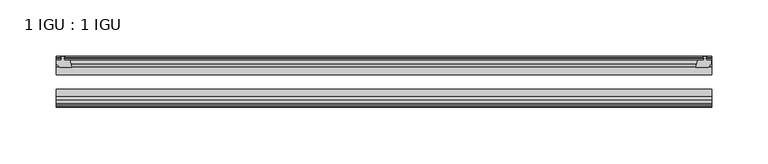
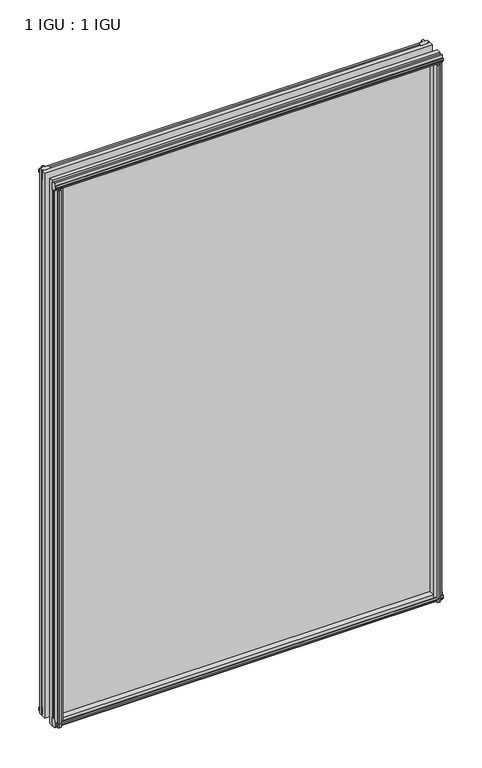
"""IFC4 building model written with IfcOpenShell, lengths in millimetres: plate geometry, 1 IGU : 1 IGU."""

import ifcopenshell
import ifcopenshell.guid

model = None  # the IFC model being written
_history = None  # IfcOwnerHistory: only IFC2X3 demands one
_inside = {}  # id of a spatial element -> (the spatial element, [elements in it])
_under = {}  # id of a project, library or spatial element -> (it, [spatial elements below it])
_declared = {}  # id of a project -> (the project, [libraries it declares])
_typed = {}  # id of a type object -> (the type object, [elements of that type])
_made_of = {}  # id of a material, layer set ... -> (it, [elements and type objects made of it])


def new_model(schema):
    """Start an empty IFC model of exactly this schema.

    Asked for "IFC4X3", IfcOpenShell would pick the latest addendum, in which some entities
    have other attributes; the version numbers below select the first issue.
    IFC2X3 requires an IfcOwnerHistory on every rooted entity: one is made here for all.
    """
    global model, _history
    if schema == "IFC4X3":
        model = ifcopenshell.file(schema_version=(4, 3, 0, 0))
    else:
        model = ifcopenshell.file(schema=schema)
    _inside.clear()
    _under.clear()
    _declared.clear()
    _typed.clear()
    _made_of.clear()
    _history = None
    if model.schema == "IFC2X3":
        org = make("IfcOrganization", Name="unknown")
        user = make(
            "IfcPersonAndOrganization",
            ThePerson=make("IfcPerson", FamilyName="unknown"),
            TheOrganization=org,
        )
        app = make(
            "IfcApplication",
            ApplicationDeveloper=org,
            Version="unknown",
            ApplicationFullName="unknown",
            ApplicationIdentifier="unknown",
        )
        _history = make(
            "IfcOwnerHistory",
            OwningUser=user,
            OwningApplication=app,
            ChangeAction="ADDED",
            CreationDate=0,
        )
    return model


def make(cls, **values):
    """One entity of the class cls with the attributes given. An attribute that is None is left unset."""
    return model.create_entity(
        cls, **{name: value for name, value in values.items() if value is not None}
    )


def rooted(cls, **values):
    """An entity with a GlobalId (a new one), such as an element, a storey or a relation."""
    return make(cls, GlobalId=ifcopenshell.guid.new(), OwnerHistory=_history, **values)


def si_unit(unit_type, name, prefix=None):
    """IfcSIUnit, for example si_unit("LENGTHUNIT", "METRE", prefix="MILLI")."""
    return make("IfcSIUnit", UnitType=unit_type, Prefix=prefix, Name=name)


def assignment(units):
    """IfcUnitAssignment: the units of a project."""
    return None if units is None else make("IfcUnitAssignment", Units=units)


def point(xyz):
    """IfcCartesianPoint."""
    return None if xyz is None else make("IfcCartesianPoint", Coordinates=xyz)


def direction(xyz):
    """IfcDirection."""
    return None if xyz is None else make("IfcDirection", DirectionRatios=xyz)


def frame(location, z_axis=None, x_axis=None):
    """IfcAxis2Placement3D, a coordinate frame: its origin and axes. An axis left out is left unset."""
    return make(
        "IfcAxis2Placement3D",
        Location=point(location),
        Axis=direction(z_axis),
        RefDirection=direction(x_axis),
    )


def origin():
    """The frame at (0, 0, 0) with its axes left unset."""
    return frame((0.0, 0.0, 0.0))


def place(relative_to, where):
    """IfcLocalPlacement: puts the frame where relative to a parent placement (None: the world)."""
    return make(
        "IfcLocalPlacement", PlacementRelTo=relative_to, RelativePlacement=where
    )


def context(
    kind, dimensions, precision=None, world=None, true_north=None, identifier=None
):
    """IfcGeometricRepresentationContext, for example the 3D "Model" context."""
    return make(
        "IfcGeometricRepresentationContext",
        ContextIdentifier=identifier,
        ContextType=kind,
        CoordinateSpaceDimension=dimensions,
        Precision=precision,
        WorldCoordinateSystem=world,
        TrueNorth=true_north,
    )


def project(units=None, contexts=None):
    """IfcProject with its units and contexts."""
    return rooted(
        "IfcProject",
        Name="project",
        RepresentationContexts=contexts,
        UnitsInContext=assignment(units),
    )


def spatial(cls, under=None, at=None, **own):
    """A site, building, storey or space (cls), placed at a placement, below another one or the project."""
    s = rooted(cls, ObjectPlacement=at, **own)
    if under is not None:
        _under.setdefault(under.id(), (under, []))[1].append(s)
    return s


def polyline(points):
    """IfcPolyline through the points."""
    return make("IfcPolyline", Points=[point(p) for p in points])


def outline(outer, holes=None, kind="AREA"):
    """IfcArbitraryClosedProfileDef: a profile drawn as a closed curve; with holes, ...WithVoids."""
    if holes is None:
        return make("IfcArbitraryClosedProfileDef", ProfileType=kind, OuterCurve=outer)
    return make(
        "IfcArbitraryProfileDefWithVoids",
        ProfileType=kind,
        OuterCurve=outer,
        InnerCurves=holes,
    )


def extrude(swept, where, along, depth):
    """IfcExtrudedAreaSolid: the profile swept, set in the frame where, extruded along a direction by depth."""
    return make(
        "IfcExtrudedAreaSolid",
        SweptArea=swept,
        Position=where,
        ExtrudedDirection=direction(along),
        Depth=depth,
    )


def shape(context_of_items, identifier, shape_type, items):
    """IfcShapeRepresentation: the items that make up one representation, for example the "Body"."""
    return make(
        "IfcShapeRepresentation",
        ContextOfItems=context_of_items,
        RepresentationIdentifier=identifier,
        RepresentationType=shape_type,
        Items=items,
    )


def source(mapping_origin, context_of_items, identifier, shape_type, items):
    """IfcRepresentationMap: a shape defined once, which mapped items show again and again."""
    return make(
        "IfcRepresentationMap",
        MappingOrigin=mapping_origin,
        MappedRepresentation=shape(context_of_items, identifier, shape_type, items),
    )


def transform(
    local_origin,
    x_axis=None,
    y_axis=None,
    z_axis=None,
    scale=None,
    scale2=None,
    scale3=None,
    uniform=True,
):
    """IfcCartesianTransformationOperator3D, or its non-uniform kind. x_axis, y_axis, z_axis: its Axis1, 2, 3."""
    if uniform:
        return make(
            "IfcCartesianTransformationOperator3D",
            Axis1=direction(x_axis),
            Axis2=direction(y_axis),
            LocalOrigin=point(local_origin),
            Scale=scale,
            Axis3=direction(z_axis),
        )
    return make(
        "IfcCartesianTransformationOperator3DnonUniform",
        Axis1=direction(x_axis),
        Axis2=direction(y_axis),
        LocalOrigin=point(local_origin),
        Scale=scale,
        Axis3=direction(z_axis),
        Scale2=scale2,
        Scale3=scale3,
    )


def mapped(mapping_source, mapping_target):
    """IfcMappedItem: shows the shape of a source again, moved by a transform."""
    return make(
        "IfcMappedItem", MappingSource=mapping_source, MappingTarget=mapping_target
    )


def made_of(thing, what):
    """Note that an element or type object is made of a material, layer set ...; save() writes the relation."""
    if what is not None:
        _made_of.setdefault(what.id(), (what, []))[1].append(thing)
    return thing


def element(
    cls,
    number,
    at=None,
    inside=None,
    cuts=None,
    type_object=None,
    material=None,
    context=None,
    identifier="Body",
    shape_type=None,
    held_by="IfcProductDefinitionShape",
    body=None,
    shapes=None,
    **own,
):
    """One element of the class cls, such as IfcWall. Its Tag is "e" and its number.

    at: its placement. inside: the storey or other place that contains it. cuts: it is an
    opening in that element (IfcRelVoidsElement). A single representation is given by context,
    identifier, shape_type and body (its items); several are given by shapes. held_by: the class
    of the entity that holds the representations. save() writes the other relations.
    """
    e = rooted(cls, Tag="e%d" % number, ObjectPlacement=at, **own)
    if body is not None:
        shapes = [shape(context, identifier, shape_type, body)]
    if shapes is not None:
        e.Representation = make(held_by, Representations=shapes)
    if inside is not None:
        _inside.setdefault(inside.id(), (inside, []))[1].append(e)
    if cuts is not None:
        rooted(
            "IfcRelVoidsElement", RelatingBuildingElement=cuts, RelatedOpeningElement=e
        )
    if type_object is not None:
        _typed.setdefault(type_object.id(), (type_object, []))[1].append(e)
    return made_of(e, material)


def aggregate(whole, parts):
    """IfcRelAggregates: a whole, such as a stair, and the parts it consists of."""
    return rooted("IfcRelAggregates", RelatingObject=whole, RelatedObjects=parts)


def save(model, path):
    """Write the relations noted so far, then the file.

    IfcRelAggregates (storeys below a building ...), IfcRelContainedInSpatialStructure (elements
    in a storey), IfcRelDefinesByType, IfcRelAssociatesMaterial and IfcRelDeclares: one each for
    every whole, place, type object, material and project.
    """
    for whole, parts in _under.values():
        aggregate(whole, parts)
    for where, things in _inside.values():
        rooted(
            "IfcRelContainedInSpatialStructure",
            RelatedElements=things,
            RelatingStructure=where,
        )
    for kind, things in _typed.values():
        rooted("IfcRelDefinesByType", RelatedObjects=things, RelatingType=kind)
    for what, things in _made_of.values():
        rooted("IfcRelAssociatesMaterial", RelatedObjects=things, RelatingMaterial=what)
    for by, libraries in _declared.values():
        rooted("IfcRelDeclares", RelatingContext=by, RelatedDefinitions=libraries)
    model.write(path)


def plate_1_igu_1_igu_1bd98ddc(model_context):
    return source(origin(), model_context, "Body", "SweptSolid", [
        extrude(outline(polyline([(293.6181709, -10.4746158), (295.7957, -9.7670938), (297.9732291, -10.4746158), (297.9732291, -11.27583), (296.5577, -10.8158968), (296.9387, -13.1960938), (301.3837, -13.1960938), (301.3837, -16.1424938), (298.5493578, -19.5460938), (287.7279819, -19.5460938), (289.4457, -13.1960938), (294.6527, -13.1960938), (295.0337, -10.8158968), (293.6181709, -11.27583), (293.6181709, -10.4746158)])), frame((0.0, 0.0, -12.4587), z_axis=(0.0, 0.0, 1.0), x_axis=(1.0, 0.0, 0.0)), (0.0, 0.0, 1.0), 863.1174001),
        extrude(outline(polyline([(-273.2730437, -9.7670937), (-271.0955147, -10.4746158), (-271.0955147, -11.27583), (-272.5110437, -10.8158968), (-272.1300437, -13.1960937), (-266.9230437, -13.1960937), (-265.2053257, -19.5460937), (-276.0267016, -19.5460937), (-278.8610437, -16.1424937), (-278.8610437, -13.1960937), (-274.4160437, -13.1960937), (-274.0350437, -10.8158968), (-275.4505728, -11.27583), (-275.4505728, -10.4746158), (-273.2730437, -9.7670937)])), frame((0.0, 0.0, -12.4587), z_axis=(0.0, 0.0, 1.0), x_axis=(1.0, 0.0, 0.0)), (0.0, 0.0, 1.0), 863.1174001),
        extrude(outline(polyline([(287.2105839, -44.9460938), (298.0319598, -44.9460938), (300.866302, -48.3496938), (300.866302, -51.2960938), (296.421302, -51.2960938), (296.040302, -53.6762907), (297.455831, -53.2163575), (297.455831, -54.0175717), (295.278302, -54.7250938), (293.1007729, -54.0175717), (293.1007729, -53.2163575), (294.516302, -53.6762907), (294.135302, -51.2960938), (288.928302, -51.2960938), (287.2105839, -44.9460938)])), frame((0.0, 0.0, -12.4587), z_axis=(0.0, 0.0, 1.0), x_axis=(1.0, 0.0, 0.0)), (0.0, 0.0, 1.0), 850.4174001),
        extrude(outline(polyline([(-264.6846257, -44.9460937), (-266.4023437, -51.2960937), (-271.6093437, -51.2960937), (-271.9903437, -53.6762907), (-270.5748147, -53.2163575), (-270.5748147, -54.0175717), (-272.7523437, -54.7250937), (-274.9298728, -54.0175717), (-274.9298728, -53.2163575), (-273.5143437, -53.6762907), (-273.8953437, -51.2960937), (-278.3403437, -51.2960937), (-278.3403437, -48.3496937), (-275.5060016, -44.9460937), (-264.6846257, -44.9460937)])), frame((0.0, 0.0, -12.4587), z_axis=(0.0, 0.0, 1.0), x_axis=(1.0, 0.0, 0.0)), (0.0, 0.0, 1.0), 850.4174001),
        extrude(outline(polyline([(-10.4746158, -4.6931709), (-9.7670937, -6.8707), (-10.4746158, -9.0482291), (-11.27583, -9.0482291), (-10.8158968, -7.6327), (-13.1960937, -8.0137), (-13.1960937, -12.4587), (-16.1424937, -12.4587), (-19.5460937, -9.6243578), (-19.5460937, 1.1970181), (-13.1960937, -0.5207), (-13.1960937, -5.7277), (-10.8158968, -6.1087), (-11.27583, -4.6931709), (-10.4746158, -4.6931709)])), frame((-278.9039062, 0.0, 0.0), z_axis=(1.0, 0.0, 0.0), x_axis=(0.0, 1.0, 0.0)), (0.0, 0.0, 1.0), 580.5289062),
        extrude(outline(polyline([(-44.9460937, 1.7177181), (-44.9460937, -9.1036578), (-48.3496937, -11.938), (-51.2960937, -11.938), (-51.2960937, -7.493), (-53.6762907, -7.112), (-53.2163575, -8.5275291), (-54.0175717, -8.5275291), (-54.7250937, -6.35), (-54.0175717, -4.1724709), (-53.2163575, -4.1724709), (-53.6762907, -5.588), (-51.2960937, -5.207), (-51.2960937, 0.0), (-44.9460937, 1.7177181)])), frame((-278.9039062, 0.0, 0.0), z_axis=(1.0, 0.0, 0.0), x_axis=(0.0, 1.0, 0.0)), (0.0, 0.0, 1.0), 580.5289062),
        extrude(outline(polyline([(-10.8158968, 845.8327001), (-11.27583, 847.2482291), (-10.4746158, 847.2482291), (-9.7670937, 845.0707001), (-10.4746158, 842.893171), (-11.27583, 842.893171), (-10.8158968, 844.3087001), (-13.1960937, 843.9277001), (-13.1960937, 838.7207001), (-19.5460938, 837.002982), (-19.5460938, 847.8243579), (-16.1424937, 850.6587001), (-13.1960937, 850.6587001), (-13.1960937, 846.2137001), (-10.8158968, 845.8327001)])), frame((-278.9039062, 0.0, 0.0), z_axis=(1.0, 0.0, 0.0), x_axis=(0.0, 1.0, 0.0)), (0.0, 0.0, 1.0), 580.5289062),
        extrude(outline(polyline([(-51.2960937, 850.1380001), (-48.3496937, 850.1380001), (-44.9460938, 847.3036579), (-44.9460938, 836.482282), (-51.2960937, 838.2000001), (-51.2960937, 843.4070001), (-53.6762907, 843.7880001), (-53.2163575, 842.372471), (-54.0175717, 842.372471), (-54.7250937, 844.5500001), (-54.0175717, 846.7275291), (-53.2163575, 846.7275291), (-53.6762907, 845.3120001), (-51.2960937, 845.6930001), (-51.2960937, 850.1380001)])), frame((-278.9039062, 0.0, 0.0), z_axis=(1.0, 0.0, 0.0), x_axis=(0.0, 1.0, 0.0)), (0.0, 0.0, 1.0), 580.5289062),
        extrude(outline(polyline([(-278.9039062, -38.9186738), (301.625, -38.9186738), (301.625, -44.9460937), (-278.9039062, -44.9460937), (-278.9039062, -38.9186738)])), frame((0.0, 0.0, -12.7), z_axis=(0.0, 0.0, 1.0), x_axis=(1.0, 0.0, 0.0)), (0.0, 0.0, 1.0), 863.6000001),
        extrude(outline(polyline([(-278.9039062, -19.5460937), (301.625, -19.5460937), (301.625, -25.8960938), (-278.9039062, -25.8960938), (-278.9039062, -19.5460937)])), frame((0.0, 0.0, -12.7), z_axis=(0.0, 0.0, 1.0), x_axis=(1.0, 0.0, 0.0)), (0.0, 0.0, 1.0), 863.6000001),
    ])


if __name__ == "__main__":
    model = new_model("IFC4")
    model_context = context("Model", 3, world=origin())
    ifc_project = project(units=[si_unit("LENGTHUNIT", "METRE", prefix="MILLI")], contexts=[model_context])
    site = spatial("IfcSite", under=ifc_project)
    building = spatial("IfcBuilding", under=site)
    placement = place(None, origin())
    plate_1_igu_1_igu_shape = plate_1_igu_1_igu_1bd98ddc(model_context)
    element("IfcPlate", 1, ObjectType="1 IGU : 1 IGU", at=placement, inside=building, context=model_context, shape_type="MappedRepresentation", body=[
        mapped(plate_1_igu_1_igu_shape, transform((0.0, 0.0, 0.0), x_axis=(1.0, 0.0, 0.0), y_axis=(0.0, 1.0, 0.0), z_axis=(0.0, 0.0, 1.0))),
    ])
    save(model, "model.ifc")
